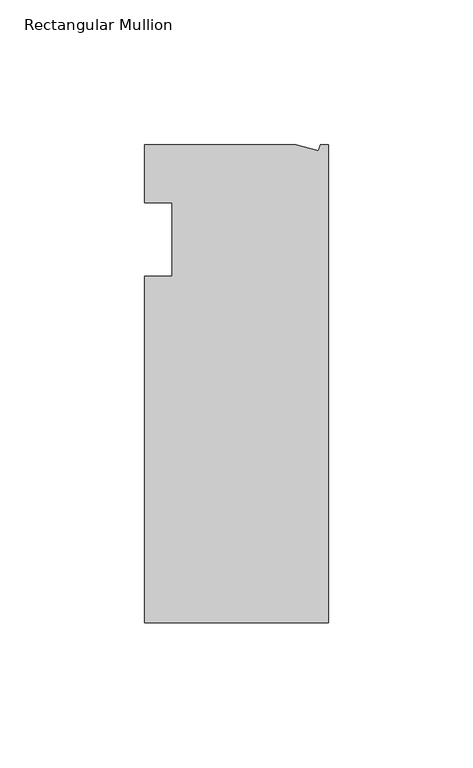
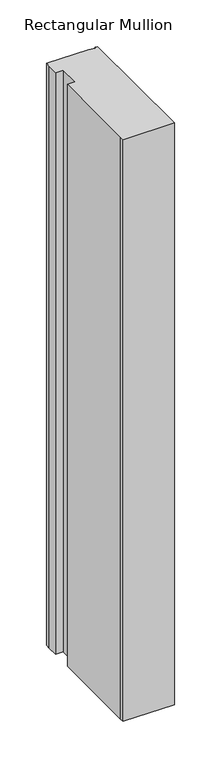
"""IFC4 building model written with IfcOpenShell, lengths in millimetres: member geometry, Rectangular Mullion."""

from ifc_helpers import new_model, si_unit, frame, origin, place, context, project, spatial, polyline, outline, extrude, source, transform, mapped, element, save


def rectangular_mullion_f9966349(model_context):
    return source(origin(), model_context, "Body", "SweptSolid", [
        extrude(outline(polyline([(0.0, -132.5561012), (-63.5, -132.5561012), (-63.5, -126.2061012), (-63.5, -12.8054199), (-53.975, -12.8054199), (-53.975, 12.5945801), (-63.5, 12.5945801), (-63.5, 26.1938988), (-63.5, 32.5438988), (-11.121847, 32.5438988), (-3.3341886, 30.4622958), (-2.7616541, 32.5438988), (0.0, 32.5438988), (0.0, -132.5561012)])), frame((0.0, 0.0, -762.9514763), z_axis=(0.0, 0.0, 1.0), x_axis=(1.0, 0.0, 0.0)), (0.0, 0.0, 1.0), 762.9514763),
    ])


if __name__ == "__main__":
    model = new_model("IFC4")
    model_context = context("Model", 3, world=origin())
    ifc_project = project(units=[si_unit("LENGTHUNIT", "METRE", prefix="MILLI")], contexts=[model_context])
    site = spatial("IfcSite", under=ifc_project)
    building = spatial("IfcBuilding", under=site)
    placement = place(None, origin())
    rectangular_mullion_shape = rectangular_mullion_f9966349(model_context)
    element("IfcMember", 1, ObjectType="Rectangular Mullion", at=placement, inside=building, context=model_context, shape_type="MappedRepresentation", body=[
        mapped(rectangular_mullion_shape, transform((0.0, 0.0, 0.0), x_axis=(1.0, 0.0, 0.0), y_axis=(0.0, 1.0, 0.0), z_axis=(0.0, 0.0, 1.0))),
    ])
    save(model, "model.ifc")
